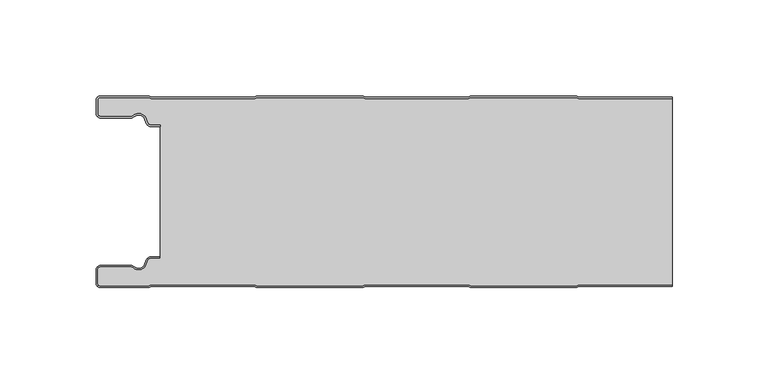
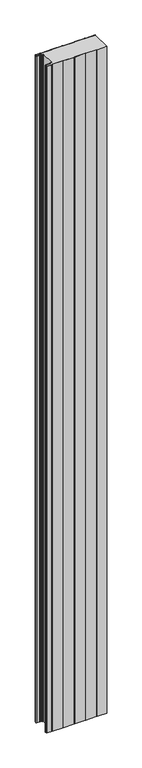
"""IFC4 building model written with IfcOpenShell, lengths in millimetres: plate geometry."""

import ifcopenshell
import ifcopenshell.guid

model = None  # the IFC model being written
_history = None  # IfcOwnerHistory: only IFC2X3 demands one
_inside = {}  # id of a spatial element -> (the spatial element, [elements in it])
_under = {}  # id of a project, library or spatial element -> (it, [spatial elements below it])
_declared = {}  # id of a project -> (the project, [libraries it declares])
_typed = {}  # id of a type object -> (the type object, [elements of that type])
_made_of = {}  # id of a material, layer set ... -> (it, [elements and type objects made of it])


def new_model(schema):
    """Start an empty IFC model of exactly this schema.

    Asked for "IFC4X3", IfcOpenShell would pick the latest addendum, in which some entities
    have other attributes; the version numbers below select the first issue.
    IFC2X3 requires an IfcOwnerHistory on every rooted entity: one is made here for all.
    """
    global model, _history
    if schema == "IFC4X3":
        model = ifcopenshell.file(schema_version=(4, 3, 0, 0))
    else:
        model = ifcopenshell.file(schema=schema)
    _inside.clear()
    _under.clear()
    _declared.clear()
    _typed.clear()
    _made_of.clear()
    _history = None
    if model.schema == "IFC2X3":
        org = make("IfcOrganization", Name="unknown")
        user = make(
            "IfcPersonAndOrganization",
            ThePerson=make("IfcPerson", FamilyName="unknown"),
            TheOrganization=org,
        )
        app = make(
            "IfcApplication",
            ApplicationDeveloper=org,
            Version="unknown",
            ApplicationFullName="unknown",
            ApplicationIdentifier="unknown",
        )
        _history = make(
            "IfcOwnerHistory",
            OwningUser=user,
            OwningApplication=app,
            ChangeAction="ADDED",
            CreationDate=0,
        )
    return model


def make(cls, **values):
    """One entity of the class cls with the attributes given. An attribute that is None is left unset."""
    return model.create_entity(
        cls, **{name: value for name, value in values.items() if value is not None}
    )


def rooted(cls, **values):
    """An entity with a GlobalId (a new one), such as an element, a storey or a relation."""
    return make(cls, GlobalId=ifcopenshell.guid.new(), OwnerHistory=_history, **values)


def si_unit(unit_type, name, prefix=None):
    """IfcSIUnit, for example si_unit("LENGTHUNIT", "METRE", prefix="MILLI")."""
    return make("IfcSIUnit", UnitType=unit_type, Prefix=prefix, Name=name)


def assignment(units):
    """IfcUnitAssignment: the units of a project."""
    return None if units is None else make("IfcUnitAssignment", Units=units)


def point(xyz):
    """IfcCartesianPoint."""
    return None if xyz is None else make("IfcCartesianPoint", Coordinates=xyz)


def direction(xyz):
    """IfcDirection."""
    return None if xyz is None else make("IfcDirection", DirectionRatios=xyz)


def frame(location, z_axis=None, x_axis=None):
    """IfcAxis2Placement3D, a coordinate frame: its origin and axes. An axis left out is left unset."""
    return make(
        "IfcAxis2Placement3D",
        Location=point(location),
        Axis=direction(z_axis),
        RefDirection=direction(x_axis),
    )


def frame_2d(location, x_axis=None):
    """IfcAxis2Placement2D, a coordinate frame in the plane: its origin and x axis."""
    return make(
        "IfcAxis2Placement2D", Location=point(location), RefDirection=direction(x_axis)
    )


def origin():
    """The frame at (0, 0, 0) with its axes left unset."""
    return frame((0.0, 0.0, 0.0))


def origin_with_axes():
    """The frame at (0, 0, 0) with the z axis (0, 0, 1) and the x axis (1, 0, 0) written out."""
    return frame((0.0, 0.0, 0.0), z_axis=(0.0, 0.0, 1.0), x_axis=(1.0, 0.0, 0.0))


def place(relative_to, where):
    """IfcLocalPlacement: puts the frame where relative to a parent placement (None: the world)."""
    return make(
        "IfcLocalPlacement", PlacementRelTo=relative_to, RelativePlacement=where
    )


def context(
    kind, dimensions, precision=None, world=None, true_north=None, identifier=None
):
    """IfcGeometricRepresentationContext, for example the 3D "Model" context."""
    return make(
        "IfcGeometricRepresentationContext",
        ContextIdentifier=identifier,
        ContextType=kind,
        CoordinateSpaceDimension=dimensions,
        Precision=precision,
        WorldCoordinateSystem=world,
        TrueNorth=true_north,
    )


def project(units=None, contexts=None):
    """IfcProject with its units and contexts."""
    return rooted(
        "IfcProject",
        Name="project",
        RepresentationContexts=contexts,
        UnitsInContext=assignment(units),
    )


def spatial(cls, under=None, at=None, **own):
    """A site, building, storey or space (cls), placed at a placement, below another one or the project."""
    s = rooted(cls, ObjectPlacement=at, **own)
    if under is not None:
        _under.setdefault(under.id(), (under, []))[1].append(s)
    return s


def polyline(points):
    """IfcPolyline through the points."""
    return make("IfcPolyline", Points=[point(p) for p in points])


def circle_curve(where, radius):
    """IfcCircle in the frame where."""
    return make("IfcCircle", Position=where, Radius=radius)


def trimmed(basis, trim1, trim2, sense, master):
    """IfcTrimmedCurve: the piece of a basis curve between two trims."""
    return make(
        "IfcTrimmedCurve",
        BasisCurve=basis,
        Trim1=trim1,
        Trim2=trim2,
        SenseAgreement=sense,
        MasterRepresentation=master,
    )


def segment(curve, same_sense, transition):
    """IfcCompositeCurveSegment."""
    return make(
        "IfcCompositeCurveSegment",
        Transition=transition,
        SameSense=same_sense,
        ParentCurve=curve,
    )


def composite_curve(segments, self_intersect=None):
    """IfcCompositeCurve: segments joined end to end."""
    return make("IfcCompositeCurve", Segments=segments, SelfIntersect=self_intersect)


def outline(outer, holes=None, kind="AREA"):
    """IfcArbitraryClosedProfileDef: a profile drawn as a closed curve; with holes, ...WithVoids."""
    if holes is None:
        return make("IfcArbitraryClosedProfileDef", ProfileType=kind, OuterCurve=outer)
    return make(
        "IfcArbitraryProfileDefWithVoids",
        ProfileType=kind,
        OuterCurve=outer,
        InnerCurves=holes,
    )


def extrude(swept, where, along, depth):
    """IfcExtrudedAreaSolid: the profile swept, set in the frame where, extruded along a direction by depth."""
    return make(
        "IfcExtrudedAreaSolid",
        SweptArea=swept,
        Position=where,
        ExtrudedDirection=direction(along),
        Depth=depth,
    )


def shape(context_of_items, identifier, shape_type, items):
    """IfcShapeRepresentation: the items that make up one representation, for example the "Body"."""
    return make(
        "IfcShapeRepresentation",
        ContextOfItems=context_of_items,
        RepresentationIdentifier=identifier,
        RepresentationType=shape_type,
        Items=items,
    )


def source(mapping_origin, context_of_items, identifier, shape_type, items):
    """IfcRepresentationMap: a shape defined once, which mapped items show again and again."""
    return make(
        "IfcRepresentationMap",
        MappingOrigin=mapping_origin,
        MappedRepresentation=shape(context_of_items, identifier, shape_type, items),
    )


def transform(
    local_origin,
    x_axis=None,
    y_axis=None,
    z_axis=None,
    scale=None,
    scale2=None,
    scale3=None,
    uniform=True,
):
    """IfcCartesianTransformationOperator3D, or its non-uniform kind. x_axis, y_axis, z_axis: its Axis1, 2, 3."""
    if uniform:
        return make(
            "IfcCartesianTransformationOperator3D",
            Axis1=direction(x_axis),
            Axis2=direction(y_axis),
            LocalOrigin=point(local_origin),
            Scale=scale,
            Axis3=direction(z_axis),
        )
    return make(
        "IfcCartesianTransformationOperator3DnonUniform",
        Axis1=direction(x_axis),
        Axis2=direction(y_axis),
        LocalOrigin=point(local_origin),
        Scale=scale,
        Axis3=direction(z_axis),
        Scale2=scale2,
        Scale3=scale3,
    )


def mapped(mapping_source, mapping_target):
    """IfcMappedItem: shows the shape of a source again, moved by a transform."""
    return make(
        "IfcMappedItem", MappingSource=mapping_source, MappingTarget=mapping_target
    )


def made_of(thing, what):
    """Note that an element or type object is made of a material, layer set ...; save() writes the relation."""
    if what is not None:
        _made_of.setdefault(what.id(), (what, []))[1].append(thing)
    return thing


def element(
    cls,
    number,
    at=None,
    inside=None,
    cuts=None,
    type_object=None,
    material=None,
    context=None,
    identifier="Body",
    shape_type=None,
    held_by="IfcProductDefinitionShape",
    body=None,
    shapes=None,
    **own,
):
    """One element of the class cls, such as IfcWall. Its Tag is "e" and its number.

    at: its placement. inside: the storey or other place that contains it. cuts: it is an
    opening in that element (IfcRelVoidsElement). A single representation is given by context,
    identifier, shape_type and body (its items); several are given by shapes. held_by: the class
    of the entity that holds the representations. save() writes the other relations.
    """
    e = rooted(cls, Tag="e%d" % number, ObjectPlacement=at, **own)
    if body is not None:
        shapes = [shape(context, identifier, shape_type, body)]
    if shapes is not None:
        e.Representation = make(held_by, Representations=shapes)
    if inside is not None:
        _inside.setdefault(inside.id(), (inside, []))[1].append(e)
    if cuts is not None:
        rooted(
            "IfcRelVoidsElement", RelatingBuildingElement=cuts, RelatedOpeningElement=e
        )
    if type_object is not None:
        _typed.setdefault(type_object.id(), (type_object, []))[1].append(e)
    return made_of(e, material)


def aggregate(whole, parts):
    """IfcRelAggregates: a whole, such as a stair, and the parts it consists of."""
    return rooted("IfcRelAggregates", RelatingObject=whole, RelatedObjects=parts)


def save(model, path):
    """Write the relations noted so far, then the file.

    IfcRelAggregates (storeys below a building ...), IfcRelContainedInSpatialStructure (elements
    in a storey), IfcRelDefinesByType, IfcRelAssociatesMaterial and IfcRelDeclares: one each for
    every whole, place, type object, material and project.
    """
    for whole, parts in _under.values():
        aggregate(whole, parts)
    for where, things in _inside.values():
        rooted(
            "IfcRelContainedInSpatialStructure",
            RelatedElements=things,
            RelatingStructure=where,
        )
    for kind, things in _typed.values():
        rooted("IfcRelDefinesByType", RelatedObjects=things, RelatingType=kind)
    for what, things in _made_of.values():
        rooted("IfcRelAssociatesMaterial", RelatedObjects=things, RelatingMaterial=what)
    for by, libraries in _declared.values():
        rooted("IfcRelDeclares", RelatingContext=by, RelatedDefinitions=libraries)
    model.write(path)


def plate_da9b8946(model_context):
    return source(origin(), model_context, "Body", "SweptSolid", [
        extrude(outline(composite_curve([segment(trimmed(circle_curve(frame_2d((-147.49499, -9.0180361)), 2.50501), [point((-147.49499, -11.5230461))], [point((-150.0, -9.0180361))], False, "CARTESIAN"), True, "CONTINUOUS"), segment(polyline([(-150.0, -9.0180361), (-150.0, -2.50501)]), True, "CONTINUOUS"), segment(trimmed(circle_curve(frame_2d((-147.49499, -2.50501)), 2.50501), [point((-150.0, -2.50501))], [point((-147.49499, 0.0))], False, "CARTESIAN"), True, "CONTINUOUS"), segment(polyline([(-147.49499, 0.0), (-122.2103007, 0.0), (-121.028188, -0.6012024), (-67.6391467, -0.6012024), (-66.457034, 0.0), (-10.8776353, 0.0), (-9.6955227, -0.6012024), (43.6935186, -0.6012024), (44.8756313, 0.0), (100.45503, 0.0), (101.6371427, -0.6012024), (150.0, -0.6012024), (150.0, -1.4012024), (101.4453963, -1.4012024), (100.2632836, -0.8), (45.0673777, -0.8), (43.885265, -1.4012024), (-9.887269, -1.4012024), (-11.0693817, -0.8), (-66.2652876, -0.8), (-67.4474003, -1.4012024), (-121.2199344, -1.4012024), (-122.4020471, -0.8), (-147.49499, -0.8)]), True, "CONTINUOUS"), segment(trimmed(circle_curve(frame_2d((-147.49499, -2.50501)), 1.70501), [point((-147.49499, -0.8))], [point((-149.2, -2.50501))], True, "CARTESIAN"), True, "CONTINUOUS"), segment(polyline([(-149.2, -2.50501), (-149.2, -9.0180361)]), True, "CONTINUOUS"), segment(trimmed(circle_curve(frame_2d((-147.49499, -9.0180361)), 1.70501), [point((-149.2, -9.0180361))], [point((-147.49499, -10.7230461))], True, "CARTESIAN"), True, "CONTINUOUS"), segment(polyline([(-147.49499, -10.7230461), (-131.8173283, -10.7230461)]), True, "CONTINUOUS"), segment(trimmed(circle_curve(frame_2d((-131.8173283, -9.0180361)), 1.70501), [point((-131.8173283, -10.7230461))], [point((-130.6895701, -10.2967936))], True, "CARTESIAN"), True, "CONTINUOUS"), segment(trimmed(circle_curve(frame_2d((-127.8407481, -13.5270541)), 4.307014), [point((-130.6895701, -10.2967936))], [point((-123.7934788, -12.0539686))], False, "CARTESIAN"), True, "CONTINUOUS"), segment(polyline([(-123.7934788, -12.0539686), (-123.0450711, -14.1102019)]), True, "CONTINUOUS"), segment(trimmed(circle_curve(frame_2d((-121.4428858, -13.5270541)), 1.70501), [point((-123.0450711, -14.1102019))], [point((-121.4428858, -15.2320641))], True, "CARTESIAN"), True, "CONTINUOUS"), segment(polyline([(-121.4428858, -15.2320641), (-116.4328657, -15.2320641), (-116.4328657, -16.0320641), (-121.4428858, -16.0320641)]), True, "CONTINUOUS"), segment(trimmed(circle_curve(frame_2d((-121.4428858, -13.5270541)), 2.50501), [point((-121.4428858, -16.0320641))], [point((-123.7968252, -14.383818))], False, "CARTESIAN"), True, "CONTINUOUS"), segment(polyline([(-123.7968252, -14.383818), (-124.5452329, -12.3275847)]), True, "CONTINUOUS"), segment(trimmed(circle_curve(frame_2d((-127.8407481, -13.5270541)), 3.507014), [point((-124.5452329, -12.3275847))], [point((-130.1604199, -10.8967936))], True, "CARTESIAN"), True, "CONTINUOUS"), segment(trimmed(circle_curve(frame_2d((-131.8173283, -9.0180361)), 2.50501), [point((-130.1604199, -10.8967936))], [point((-131.8173283, -11.5230461))], False, "CARTESIAN"), True, "CONTINUOUS"), segment(polyline([(-131.8173283, -11.5230461), (-147.49499, -11.5230461)]), True, "CONTINUOUS")], self_intersect=False)), origin_with_axes(), (0.0, 0.0, 1.0), 3500.0),
        extrude(outline(composite_curve([segment(trimmed(circle_curve(frame_2d((-121.4428858, -13.5270541)), 1.70501), [point((-121.4428858, -15.2320641))], [point((-123.0450711, -14.1102019))], False, "CARTESIAN"), True, "CONTINUOUS"), segment(polyline([(-123.0450711, -14.1102019), (-123.7934788, -12.0539686)]), True, "CONTINUOUS"), segment(trimmed(circle_curve(frame_2d((-127.8407481, -13.5270541)), 4.307014), [point((-123.7934788, -12.0539686))], [point((-130.6895701, -10.2967936))], True, "CARTESIAN"), True, "CONTINUOUS"), segment(trimmed(circle_curve(frame_2d((-131.8173283, -9.0180361)), 1.70501), [point((-130.6895701, -10.2967936))], [point((-131.8173283, -10.7230461))], False, "CARTESIAN"), True, "CONTINUOUS"), segment(polyline([(-131.8173283, -10.7230461), (-147.49499, -10.7230461)]), True, "CONTINUOUS"), segment(trimmed(circle_curve(frame_2d((-147.49499, -9.0180361)), 1.70501), [point((-147.49499, -10.7230461))], [point((-149.2, -9.0180361))], False, "CARTESIAN"), True, "CONTINUOUS"), segment(polyline([(-149.2, -9.0180361), (-149.2, -2.50501)]), True, "CONTINUOUS"), segment(trimmed(circle_curve(frame_2d((-147.49499, -2.50501)), 1.70501), [point((-149.2, -2.50501))], [point((-147.49499, -0.8))], False, "CARTESIAN"), True, "CONTINUOUS"), segment(polyline([(-147.49499, -0.8), (-122.4020471, -0.8), (-121.2199344, -1.4012024), (-67.4474003, -1.4012024), (-66.2652876, -0.8), (-11.0693817, -0.8), (-9.887269, -1.4012024), (43.885265, -1.4012024), (45.0673777, -0.8), (100.2632836, -0.8), (101.4453963, -1.4012024), (150.0, -1.4012024), (150.0, -98.5987976), (101.4453963, -98.5987976), (100.2632836, -99.2), (45.0673777, -99.2), (43.885265, -98.5987976), (-9.887269, -98.5987976), (-11.0693817, -99.2), (-66.2652876, -99.2), (-67.4474003, -98.5987976), (-121.2199344, -98.5987976), (-122.4020471, -99.2), (-147.49499, -99.2)]), True, "CONTINUOUS"), segment(trimmed(circle_curve(frame_2d((-147.49499, -97.49499)), 1.70501), [point((-147.49499, -99.2))], [point((-149.2, -97.49499))], False, "CARTESIAN"), True, "CONTINUOUS"), segment(polyline([(-149.2, -97.49499), (-149.2, -90.9819639)]), True, "CONTINUOUS"), segment(trimmed(circle_curve(frame_2d((-147.49499, -90.9819639)), 1.70501), [point((-149.2, -90.9819639))], [point((-147.49499, -89.2769539))], False, "CARTESIAN"), True, "CONTINUOUS"), segment(polyline([(-147.49499, -89.2769539), (-131.8173283, -89.2769539)]), True, "CONTINUOUS"), segment(trimmed(circle_curve(frame_2d((-131.8173283, -90.9819639)), 1.70501), [point((-131.8173283, -89.2769539))], [point((-130.6895701, -89.7032064))], False, "CARTESIAN"), True, "CONTINUOUS"), segment(trimmed(circle_curve(frame_2d((-127.8407481, -86.4729459)), 4.307014), [point((-130.6895701, -89.7032064))], [point((-123.7934788, -87.9460314))], True, "CARTESIAN"), True, "CONTINUOUS"), segment(polyline([(-123.7934788, -87.9460314), (-123.0450711, -85.8897981)]), True, "CONTINUOUS"), segment(trimmed(circle_curve(frame_2d((-121.4428858, -86.4729459)), 1.70501), [point((-123.0450711, -85.8897981))], [point((-121.4428858, -84.7679359))], False, "CARTESIAN"), True, "CONTINUOUS"), segment(polyline([(-121.4428858, -84.7679359), (-116.4328657, -84.7679359), (-116.4328657, -15.2320641), (-121.4428858, -15.2320641)]), True, "CONTINUOUS")], self_intersect=False)), origin_with_axes(), (0.0, 0.0, 1.0), 3500.0),
        extrude(outline(composite_curve([segment(polyline([(-147.49499, -88.4769539), (-131.8173283, -88.4769539)]), True, "CONTINUOUS"), segment(trimmed(circle_curve(frame_2d((-131.8173283, -90.9819639)), 2.50501), [point((-131.8173283, -88.4769539))], [point((-130.1604199, -89.1032064))], False, "CARTESIAN"), True, "CONTINUOUS"), segment(trimmed(circle_curve(frame_2d((-127.8407481, -86.4729459)), 3.507014), [point((-130.1604199, -89.1032064))], [point((-124.5452329, -87.6724153))], True, "CARTESIAN"), True, "CONTINUOUS"), segment(polyline([(-124.5452329, -87.6724153), (-123.7968252, -85.616182)]), True, "CONTINUOUS"), segment(trimmed(circle_curve(frame_2d((-121.4428858, -86.4729459)), 2.50501), [point((-123.7968252, -85.616182))], [point((-121.4428858, -83.9679359))], False, "CARTESIAN"), True, "CONTINUOUS"), segment(polyline([(-121.4428858, -83.9679359), (-116.4328657, -83.9679359), (-116.4328657, -84.7679359), (-121.4428858, -84.7679359)]), True, "CONTINUOUS"), segment(trimmed(circle_curve(frame_2d((-121.4428858, -86.4729459)), 1.70501), [point((-121.4428858, -84.7679359))], [point((-123.0450711, -85.8897981))], True, "CARTESIAN"), True, "CONTINUOUS"), segment(polyline([(-123.0450711, -85.8897981), (-123.7934788, -87.9460314)]), True, "CONTINUOUS"), segment(trimmed(circle_curve(frame_2d((-127.8407481, -86.4729459)), 4.307014), [point((-123.7934788, -87.9460314))], [point((-130.6895701, -89.7032064))], False, "CARTESIAN"), True, "CONTINUOUS"), segment(trimmed(circle_curve(frame_2d((-131.8173283, -90.9819639)), 1.70501), [point((-130.6895701, -89.7032064))], [point((-131.8173283, -89.2769539))], True, "CARTESIAN"), True, "CONTINUOUS"), segment(polyline([(-131.8173283, -89.2769539), (-147.49499, -89.2769539)]), True, "CONTINUOUS"), segment(trimmed(circle_curve(frame_2d((-147.49499, -90.9819639)), 1.70501), [point((-147.49499, -89.2769539))], [point((-149.2, -90.9819639))], True, "CARTESIAN"), True, "CONTINUOUS"), segment(polyline([(-149.2, -90.9819639), (-149.2, -97.49499)]), True, "CONTINUOUS"), segment(trimmed(circle_curve(frame_2d((-147.49499, -97.49499)), 1.70501), [point((-149.2, -97.49499))], [point((-147.49499, -99.2))], True, "CARTESIAN"), True, "CONTINUOUS"), segment(polyline([(-147.49499, -99.2), (-122.4020471, -99.2), (-121.2199344, -98.5987976), (-67.4474003, -98.5987976), (-66.2652876, -99.2), (-11.0693817, -99.2), (-9.887269, -98.5987976), (43.885265, -98.5987976), (45.0673777, -99.2), (100.2632836, -99.2), (101.4453963, -98.5987976), (150.0, -98.5987976), (150.0, -99.3987976), (101.6371427, -99.3987976), (100.45503, -100.0), (44.8756313, -100.0), (43.6935186, -99.3987976), (-9.6955227, -99.3987976), (-10.8776353, -100.0), (-66.457034, -100.0), (-67.6391467, -99.3987976), (-121.028188, -99.3987976), (-122.2103007, -100.0), (-147.49499, -100.0)]), True, "CONTINUOUS"), segment(trimmed(circle_curve(frame_2d((-147.49499, -97.49499)), 2.50501), [point((-147.49499, -100.0))], [point((-150.0, -97.49499))], False, "CARTESIAN"), True, "CONTINUOUS"), segment(polyline([(-150.0, -97.49499), (-150.0, -90.9819639)]), True, "CONTINUOUS"), segment(trimmed(circle_curve(frame_2d((-147.49499, -90.9819639)), 2.50501), [point((-150.0, -90.9819639))], [point((-147.49499, -88.4769539))], False, "CARTESIAN"), True, "CONTINUOUS")], self_intersect=False)), origin_with_axes(), (0.0, 0.0, 1.0), 3500.0),
    ])


if __name__ == "__main__":
    model = new_model("IFC4")
    model_context = context("Model", 3, world=origin())
    ifc_project = project(units=[si_unit("LENGTHUNIT", "METRE", prefix="MILLI")], contexts=[model_context])
    site = spatial("IfcSite", under=ifc_project)
    building = spatial("IfcBuilding", under=site)
    placement = place(None, origin())
    plate_shape = plate_da9b8946(model_context)
    element("IfcPlate", 1, at=placement, inside=building, context=model_context, shape_type="MappedRepresentation", body=[
        mapped(plate_shape, transform((0.0, 0.0, 0.0), x_axis=(1.0, 0.0, 0.0), y_axis=(0.0, 1.0, 0.0), z_axis=(0.0, 0.0, 1.0))),
    ])
    save(model, "model.ifc")
